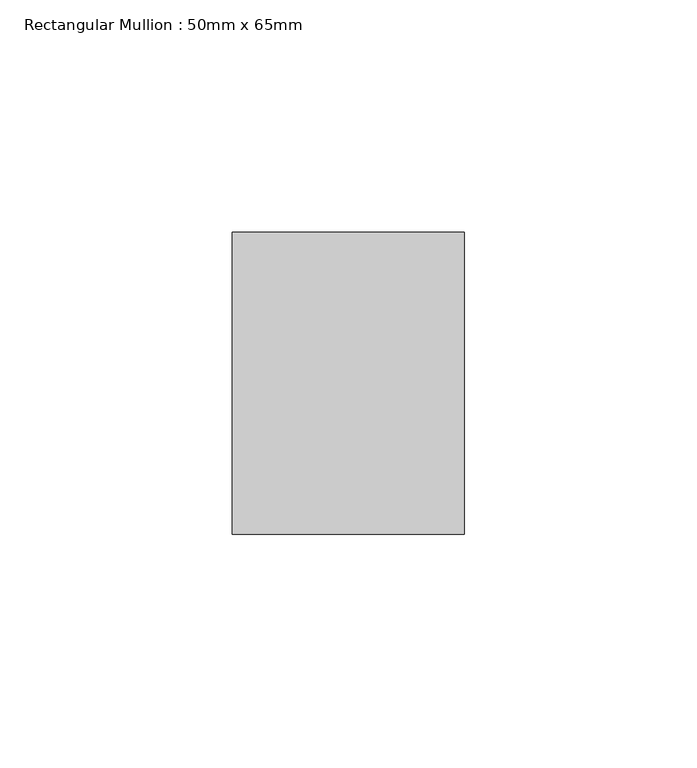
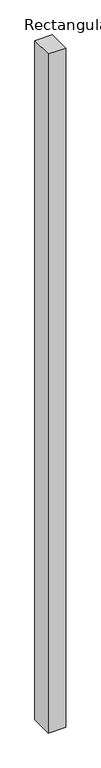
"""IFC4 building model written with IfcOpenShell, lengths in millimetres: member geometry, Rectangular Mullion : 50mm x 65mm."""

from ifc_helpers import new_model, si_unit, frame, origin, place, context, project, spatial, polyline, outline, extrude, source, transform, mapped, element, save


def rectangular_mullion_50mm_x_65mm_1fa3bac5(model_context):
    return source(origin(), model_context, "Body", "SweptSolid", [
        extrude(outline(polyline([(25.0, 32.5), (25.0, -32.5), (-25.0, -32.5), (-25.0, 32.5), (25.0, 32.5)])), frame((0.0, 0.0, -2042.0390155), z_axis=(0.0, 0.0, 1.0), x_axis=(1.0, 0.0, 0.0)), (0.0, 0.0, 1.0), 2042.0390155),
    ])


if __name__ == "__main__":
    model = new_model("IFC4")
    model_context = context("Model", 3, world=origin())
    ifc_project = project(units=[si_unit("LENGTHUNIT", "METRE", prefix="MILLI")], contexts=[model_context])
    site = spatial("IfcSite", under=ifc_project)
    building = spatial("IfcBuilding", under=site)
    placement = place(None, origin())
    rectangular_mullion_50mm_x_65mm_shape = rectangular_mullion_50mm_x_65mm_1fa3bac5(model_context)
    element("IfcMember", 1, ObjectType="Rectangular Mullion : 50mm x 65mm", at=placement, inside=building, context=model_context, shape_type="MappedRepresentation", body=[
        mapped(rectangular_mullion_50mm_x_65mm_shape, transform((0.0, 0.0, 0.0), x_axis=(1.0, 0.0, 0.0), y_axis=(0.0, 1.0, 0.0), z_axis=(0.0, 0.0, 1.0))),
    ])
    save(model, "model.ifc")
